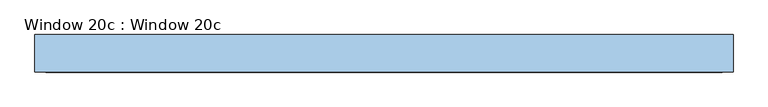
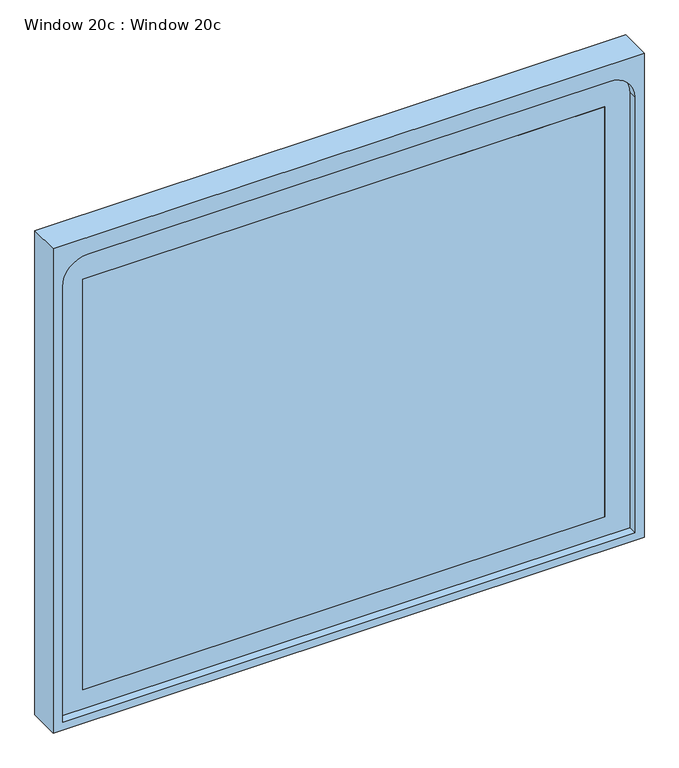
"""IFC4 building model written with IfcOpenShell, lengths in millimetres: window geometry, Window 20c : Window 20c."""

from ifc_helpers import new_model, si_unit, point, frame, frame_2d, origin, place, context, project, spatial, polyline, circle_curve, trimmed, segment, composite_curve, outline, extrude, source, transform, mapped, element, save


def window_20c_window_20c_46212c49(model_context):
    return source(origin(), model_context, "Body", "SweptSolid", [
        extrude(outline(polyline([(783.0069205, -79.375), (783.0069205, -98.425), (-783.0069205, -98.425), (-783.0069205, -79.375), (783.0069205, -79.375)])), frame((0.0, 0.0, 1000.2318851), z_axis=(0.0, 0.0, 1.0), x_axis=(1.0, 0.0, 0.0)), (0.0, 0.0, 1.0), 1302.2755823),
        extrude(outline(composite_curve([segment(polyline([(939.8, -858.8581343), (939.8, 858.8581343), (2321.3930398, 858.8581343)]), True, "CONTINUOUS"), segment(trimmed(circle_curve(frame_2d((2321.3930398, 782.6581343)), 76.2), [point((2321.3930398, 858.8581343))], [point((2397.5930398, 782.6581343))], False, "CARTESIAN"), True, "CONTINUOUS"), segment(polyline([(2397.5930398, 782.6581343), (2397.5930398, -782.6581343)]), True, "CONTINUOUS"), segment(trimmed(circle_curve(frame_2d((2321.3930398, -782.6581343)), 76.2), [point((2397.5930398, -782.6581343))], [point((2321.3930398, -858.8581343))], False, "CARTESIAN"), True, "CONTINUOUS"), segment(polyline([(2321.3930398, -858.8581343), (939.8, -858.8581343)]), True, "CONTINUOUS")], self_intersect=False), holes=[polyline([(1000.2318851, 783.0069205), (1000.2318851, -783.0069205), (2302.5074675, -783.0069205), (2302.5074675, 783.0069205), (1000.2318851, 783.0069205)])]), frame((0.0, -98.425, 0.0), z_axis=(0.0, 1.0, 0.0), x_axis=(0.0, 0.0, 1.0)), (0.0, 0.0, 1.0), 50.8),
        extrude(outline(polyline([(2451.608, 886.841), (2451.608, -886.841), (914.4, -886.841), (914.4, 886.841), (2451.608, 886.841)]), holes=[composite_curve([segment(trimmed(circle_curve(frame_2d((2321.3930398, 782.6581343)), 76.2), [point((2397.5930398, 782.6581343))], [point((2321.3930398, 858.8581343))], True, "CARTESIAN"), True, "CONTINUOUS"), segment(polyline([(2321.3930398, 858.8581343), (939.8, 858.8581343), (939.8, -858.8581343), (2321.3930398, -858.8581343)]), True, "CONTINUOUS"), segment(trimmed(circle_curve(frame_2d((2321.3930398, -782.6581343)), 76.2), [point((2321.3930398, -858.8581343))], [point((2397.5930398, -782.6581343))], True, "CARTESIAN"), True, "CONTINUOUS"), segment(polyline([(2397.5930398, -782.6581343), (2397.5930398, 782.6581343)]), True, "CONTINUOUS")], self_intersect=False)]), frame((0.0, -123.825, 0.0), z_axis=(0.0, 1.0, 0.0), x_axis=(0.0, 0.0, 1.0)), (0.0, 0.0, 1.0), 95.25),
    ])


if __name__ == "__main__":
    model = new_model("IFC4")
    model_context = context("Model", 3, world=origin())
    ifc_project = project(units=[si_unit("LENGTHUNIT", "METRE", prefix="MILLI")], contexts=[model_context])
    site = spatial("IfcSite", under=ifc_project)
    building = spatial("IfcBuilding", under=site)
    placement = place(None, origin())
    window_20c_window_20c_shape = window_20c_window_20c_46212c49(model_context)
    element("IfcWindow", 1, ObjectType="Window 20c : Window 20c", at=placement, inside=building, context=model_context, shape_type="MappedRepresentation", body=[
        mapped(window_20c_window_20c_shape, transform((0.0, 0.0, 0.0), x_axis=(1.0, 0.0, 0.0), y_axis=(0.0, 1.0, 0.0), z_axis=(0.0, 0.0, 1.0))),
    ])
    save(model, "model.ifc")
